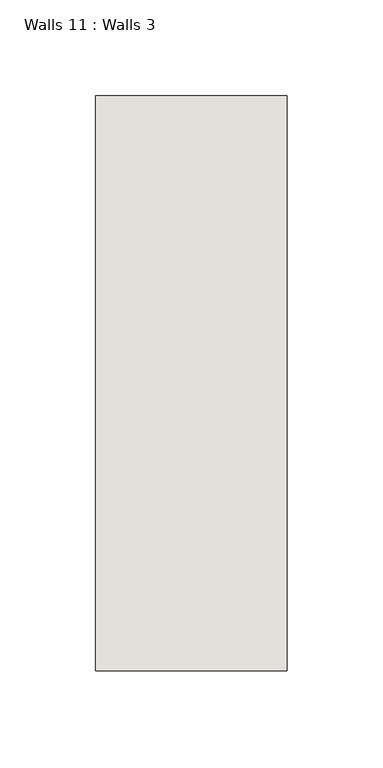
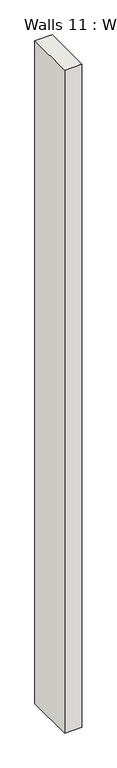
"""IFC4 building model written with IfcOpenShell, lengths in millimetres: wall geometry, Walls 11 : Walls 3."""

from ifc_helpers import new_model, si_unit, origin, origin_with_axes, place, context, project, spatial, polyline, outline, extrude, source, transform, mapped, element, save


def walls_11_walls_3_f38fd938(model_context):
    return source(origin(), model_context, "Body", "SweptSolid", [
        extrude(outline(polyline([(-7012.3812655, 1518.41264), (-7012.3812655, 1818.41264), (-6912.3812655, 1818.41264), (-6912.3812655, 1518.41264), (-7012.3812655, 1518.41264)])), origin_with_axes(), (0.0, 0.0, 1.0), 4085.1192828),
    ])


if __name__ == "__main__":
    model = new_model("IFC4")
    model_context = context("Model", 3, world=origin())
    ifc_project = project(units=[si_unit("LENGTHUNIT", "METRE", prefix="MILLI")], contexts=[model_context])
    site = spatial("IfcSite", under=ifc_project)
    building = spatial("IfcBuilding", under=site)
    placement = place(None, origin())
    walls_11_walls_3_shape = walls_11_walls_3_f38fd938(model_context)
    element("IfcWall", 1, ObjectType="Walls 11 : Walls 3", at=placement, inside=building, context=model_context, shape_type="MappedRepresentation", body=[
        mapped(walls_11_walls_3_shape, transform((0.0, 0.0, 0.0), x_axis=(1.0, 0.0, 0.0), y_axis=(0.0, 1.0, 0.0), z_axis=(0.0, 0.0, 1.0))),
    ])
    save(model, "model.ifc")
